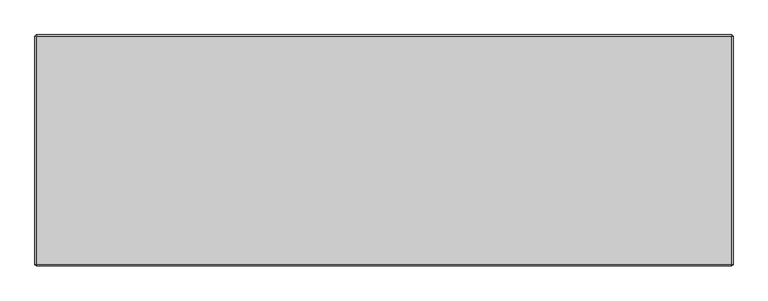
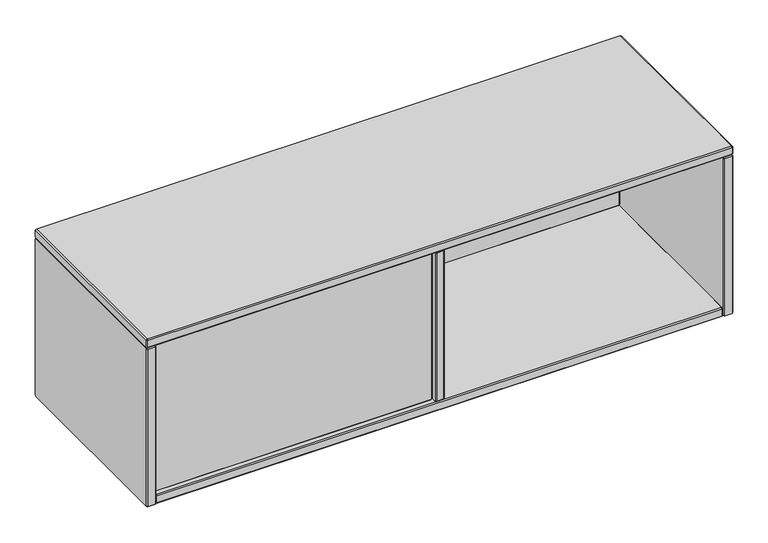
"""IFC4 building model written with IfcOpenShell, lengths in millimetres: furniture geometry."""

import ifcopenshell
import ifcopenshell.guid

model = None  # the IFC model being written
_history = None  # IfcOwnerHistory: only IFC2X3 demands one
_inside = {}  # id of a spatial element -> (the spatial element, [elements in it])
_under = {}  # id of a project, library or spatial element -> (it, [spatial elements below it])
_declared = {}  # id of a project -> (the project, [libraries it declares])
_typed = {}  # id of a type object -> (the type object, [elements of that type])
_made_of = {}  # id of a material, layer set ... -> (it, [elements and type objects made of it])


def new_model(schema):
    """Start an empty IFC model of exactly this schema.

    Asked for "IFC4X3", IfcOpenShell would pick the latest addendum, in which some entities
    have other attributes; the version numbers below select the first issue.
    IFC2X3 requires an IfcOwnerHistory on every rooted entity: one is made here for all.
    """
    global model, _history
    if schema == "IFC4X3":
        model = ifcopenshell.file(schema_version=(4, 3, 0, 0))
    else:
        model = ifcopenshell.file(schema=schema)
    _inside.clear()
    _under.clear()
    _declared.clear()
    _typed.clear()
    _made_of.clear()
    _history = None
    if model.schema == "IFC2X3":
        org = make("IfcOrganization", Name="unknown")
        user = make(
            "IfcPersonAndOrganization",
            ThePerson=make("IfcPerson", FamilyName="unknown"),
            TheOrganization=org,
        )
        app = make(
            "IfcApplication",
            ApplicationDeveloper=org,
            Version="unknown",
            ApplicationFullName="unknown",
            ApplicationIdentifier="unknown",
        )
        _history = make(
            "IfcOwnerHistory",
            OwningUser=user,
            OwningApplication=app,
            ChangeAction="ADDED",
            CreationDate=0,
        )
    return model


def make(cls, **values):
    """One entity of the class cls with the attributes given. An attribute that is None is left unset."""
    return model.create_entity(
        cls, **{name: value for name, value in values.items() if value is not None}
    )


def rooted(cls, **values):
    """An entity with a GlobalId (a new one), such as an element, a storey or a relation."""
    return make(cls, GlobalId=ifcopenshell.guid.new(), OwnerHistory=_history, **values)


def si_unit(unit_type, name, prefix=None):
    """IfcSIUnit, for example si_unit("LENGTHUNIT", "METRE", prefix="MILLI")."""
    return make("IfcSIUnit", UnitType=unit_type, Prefix=prefix, Name=name)


def assignment(units):
    """IfcUnitAssignment: the units of a project."""
    return None if units is None else make("IfcUnitAssignment", Units=units)


def point(xyz):
    """IfcCartesianPoint."""
    return None if xyz is None else make("IfcCartesianPoint", Coordinates=xyz)


def direction(xyz):
    """IfcDirection."""
    return None if xyz is None else make("IfcDirection", DirectionRatios=xyz)


def frame(location, z_axis=None, x_axis=None):
    """IfcAxis2Placement3D, a coordinate frame: its origin and axes. An axis left out is left unset."""
    return make(
        "IfcAxis2Placement3D",
        Location=point(location),
        Axis=direction(z_axis),
        RefDirection=direction(x_axis),
    )


def origin():
    """The frame at (0, 0, 0) with its axes left unset."""
    return frame((0.0, 0.0, 0.0))


def place(relative_to, where):
    """IfcLocalPlacement: puts the frame where relative to a parent placement (None: the world)."""
    return make(
        "IfcLocalPlacement", PlacementRelTo=relative_to, RelativePlacement=where
    )


def context(
    kind, dimensions, precision=None, world=None, true_north=None, identifier=None
):
    """IfcGeometricRepresentationContext, for example the 3D "Model" context."""
    return make(
        "IfcGeometricRepresentationContext",
        ContextIdentifier=identifier,
        ContextType=kind,
        CoordinateSpaceDimension=dimensions,
        Precision=precision,
        WorldCoordinateSystem=world,
        TrueNorth=true_north,
    )


def project(units=None, contexts=None):
    """IfcProject with its units and contexts."""
    return rooted(
        "IfcProject",
        Name="project",
        RepresentationContexts=contexts,
        UnitsInContext=assignment(units),
    )


def spatial(cls, under=None, at=None, **own):
    """A site, building, storey or space (cls), placed at a placement, below another one or the project."""
    s = rooted(cls, ObjectPlacement=at, **own)
    if under is not None:
        _under.setdefault(under.id(), (under, []))[1].append(s)
    return s


def faces_of(points, faces, orient=None, outer=None):
    """IfcFace entities. A face is a list of loops; a loop is a list of indices into points, from 0.

    orient and outer hold one flag for each loop. By default every Orientation is true, the
    first loop of a face is its IfcFaceOuterBound and the others are IfcFaceBound.
    """
    made = []
    for i, loops in enumerate(faces):
        bounds = []
        for j, loop in enumerate(loops):
            is_outer = j == 0 if outer is None else outer[i][j]
            bounds.append(
                make(
                    "IfcFaceOuterBound" if is_outer else "IfcFaceBound",
                    Bound=make("IfcPolyLoop", Polygon=[points[k] for k in loop]),
                    Orientation=True if orient is None else orient[i][j],
                )
            )
        made.append(make("IfcFace", Bounds=bounds))
    return made


def faceted_brep(points, faces, orient=None, outer=None, voids=None):
    """IfcFacetedBrep: a solid bounded by flat faces; with voids (closed shells), ...WithVoids."""
    shared = [point(p) for p in points]
    hull = make("IfcClosedShell", CfsFaces=faces_of(shared, faces, orient, outer))
    if voids is None:
        return make("IfcFacetedBrep", Outer=hull)
    return make(
        "IfcFacetedBrepWithVoids",
        Outer=hull,
        Voids=[
            make(cls, CfsFaces=faces_of(shared, fs, o, b)) for cls, fs, o, b in voids
        ],
    )


def shape(context_of_items, identifier, shape_type, items):
    """IfcShapeRepresentation: the items that make up one representation, for example the "Body"."""
    return make(
        "IfcShapeRepresentation",
        ContextOfItems=context_of_items,
        RepresentationIdentifier=identifier,
        RepresentationType=shape_type,
        Items=items,
    )


def source(mapping_origin, context_of_items, identifier, shape_type, items):
    """IfcRepresentationMap: a shape defined once, which mapped items show again and again."""
    return make(
        "IfcRepresentationMap",
        MappingOrigin=mapping_origin,
        MappedRepresentation=shape(context_of_items, identifier, shape_type, items),
    )


def transform(
    local_origin,
    x_axis=None,
    y_axis=None,
    z_axis=None,
    scale=None,
    scale2=None,
    scale3=None,
    uniform=True,
):
    """IfcCartesianTransformationOperator3D, or its non-uniform kind. x_axis, y_axis, z_axis: its Axis1, 2, 3."""
    if uniform:
        return make(
            "IfcCartesianTransformationOperator3D",
            Axis1=direction(x_axis),
            Axis2=direction(y_axis),
            LocalOrigin=point(local_origin),
            Scale=scale,
            Axis3=direction(z_axis),
        )
    return make(
        "IfcCartesianTransformationOperator3DnonUniform",
        Axis1=direction(x_axis),
        Axis2=direction(y_axis),
        LocalOrigin=point(local_origin),
        Scale=scale,
        Axis3=direction(z_axis),
        Scale2=scale2,
        Scale3=scale3,
    )


def mapped(mapping_source, mapping_target):
    """IfcMappedItem: shows the shape of a source again, moved by a transform."""
    return make(
        "IfcMappedItem", MappingSource=mapping_source, MappingTarget=mapping_target
    )


def made_of(thing, what):
    """Note that an element or type object is made of a material, layer set ...; save() writes the relation."""
    if what is not None:
        _made_of.setdefault(what.id(), (what, []))[1].append(thing)
    return thing


def element(
    cls,
    number,
    at=None,
    inside=None,
    cuts=None,
    type_object=None,
    material=None,
    context=None,
    identifier="Body",
    shape_type=None,
    held_by="IfcProductDefinitionShape",
    body=None,
    shapes=None,
    **own,
):
    """One element of the class cls, such as IfcWall. Its Tag is "e" and its number.

    at: its placement. inside: the storey or other place that contains it. cuts: it is an
    opening in that element (IfcRelVoidsElement). A single representation is given by context,
    identifier, shape_type and body (its items); several are given by shapes. held_by: the class
    of the entity that holds the representations. save() writes the other relations.
    """
    e = rooted(cls, Tag="e%d" % number, ObjectPlacement=at, **own)
    if body is not None:
        shapes = [shape(context, identifier, shape_type, body)]
    if shapes is not None:
        e.Representation = make(held_by, Representations=shapes)
    if inside is not None:
        _inside.setdefault(inside.id(), (inside, []))[1].append(e)
    if cuts is not None:
        rooted(
            "IfcRelVoidsElement", RelatingBuildingElement=cuts, RelatedOpeningElement=e
        )
    if type_object is not None:
        _typed.setdefault(type_object.id(), (type_object, []))[1].append(e)
    return made_of(e, material)


def aggregate(whole, parts):
    """IfcRelAggregates: a whole, such as a stair, and the parts it consists of."""
    return rooted("IfcRelAggregates", RelatingObject=whole, RelatedObjects=parts)


def save(model, path):
    """Write the relations noted so far, then the file.

    IfcRelAggregates (storeys below a building ...), IfcRelContainedInSpatialStructure (elements
    in a storey), IfcRelDefinesByType, IfcRelAssociatesMaterial and IfcRelDeclares: one each for
    every whole, place, type object, material and project.
    """
    for whole, parts in _under.values():
        aggregate(whole, parts)
    for where, things in _inside.values():
        rooted(
            "IfcRelContainedInSpatialStructure",
            RelatedElements=things,
            RelatingStructure=where,
        )
    for kind, things in _typed.values():
        rooted("IfcRelDefinesByType", RelatedObjects=things, RelatingType=kind)
    for what, things in _made_of.values():
        rooted("IfcRelAssociatesMaterial", RelatedObjects=things, RelatingMaterial=what)
    for by, libraries in _declared.values():
        rooted("IfcRelDeclares", RelatingContext=by, RelatedDefinitions=libraries)
    model.write(path)


def furniture_36d668b5(model_context):
    return source(origin(), model_context, "Body", "Brep", [
        faceted_brep([(22.564297, -209.0126135, 808.7316604), (21.7169989, -209.0126135, 809.5789584), (21.7169986, -209.0126135, 1134.335119), (22.5630082, -209.0126135, 1135.1811292), (598.8467091, -209.0126135, 1135.1811295), (599.6939981, -209.0126135, 1134.333841), (599.6939984, -209.0126135, 809.5802381), (598.8454211, -209.0126135, 808.7316604), (21.7169989, -228.3166132, 809.5789584), (22.564297, -228.3166132, 808.7316604), (598.8454203, -228.3166132, 808.73166), (599.6939981, -228.3166132, 809.5802373), (599.6939984, -228.3166132, 1134.3338402), (598.8467099, -228.3166132, 1135.1811292), (22.5630091, -228.3166132, 1135.1811295), (21.7169989, -228.3166132, 1134.3351198), (19.684994, -211.044618, 808.7372749), (21.7226135, -211.044618, 806.6996555), (21.7226135, -226.2846087, 806.6996555), (19.684994, -226.2846087, 808.7372749), (599.6871047, -211.044618, 806.6996555), (599.6871047, -226.2846087, 806.6996555), (601.726003, -211.044618, 808.7385538), (601.726003, -226.2846087, 808.7385538), (601.726003, -211.044618, 1135.1755245), (601.726003, -226.2846087, 1135.1755245), (599.6883934, -211.044618, 1137.2131341), (599.6883934, -226.2846087, 1137.2131341), (21.7213247, -211.044618, 1137.2131341), (21.7213247, -226.2846087, 1137.2131341), (19.684994, -211.044618, 1135.1768034), (19.684994, -226.2846087, 1135.1768034)], [[[0, 1, 2, 3, 4, 5, 6, 7]], [[8, 9, 10, 11, 12, 13, 14, 15]], [[16, 1, 0, 17]], [[16, 17, 18, 19]], [[19, 18, 9, 8]], [[17, 0, 7, 20]], [[18, 17, 20, 21]], [[9, 18, 21, 10]], [[20, 7, 6, 22]], [[21, 20, 22, 23]], [[10, 21, 23, 11]], [[22, 6, 5, 24]], [[23, 22, 24, 25]], [[11, 23, 25, 12]], [[24, 5, 4, 26]], [[25, 24, 26, 27]], [[12, 25, 27, 13]], [[26, 4, 3, 28]], [[27, 26, 28, 29]], [[13, 27, 29, 14]], [[28, 3, 2, 30]], [[29, 28, 30, 31]], [[14, 29, 31, 15]], [[1, 16, 30, 2]], [[16, 19, 31, 30]], [[19, 8, 15, 31]]]),
        faceted_brep([(621.029997, 148.8452595, 808.7372749), (623.0620027, 150.8772652, 809.5789592), (623.9093008, 150.8772652, 808.7316612), (623.0676165, 148.8452595, 806.6996555), (623.0676165, 133.6052689, 806.6996555), (621.029997, 133.6052689, 808.7372749), (623.9093008, 131.5732632, 808.7316612), (623.0620011, 131.5732654, 809.5789576), (1196.6344233, 150.8772652, 808.7316612), (1197.4761077, 148.8452595, 806.6996555), (1197.4761077, 133.6052689, 806.6996555), (1196.6344233, 131.5732632, 808.7316612), (1197.4830003, 150.8772652, 809.5802381), (1199.515006, 148.8452595, 808.7385538), (1199.515006, 133.6052689, 808.7385538), (1197.4830003, 131.5732632, 809.5802381), (1197.4830003, 150.8772652, 1134.3338402), (1199.515006, 148.8452595, 1135.1755245), (1199.515006, 133.6052689, 1135.1755245), (1197.4830003, 131.5732632, 1134.3338402), (1196.6357121, 150.8772652, 1135.1811284), (1197.4773964, 148.8452595, 1137.2131341), (1197.4773964, 133.6052689, 1137.2131341), (1196.6357121, 131.5732632, 1135.1811284), (623.908012, 150.8772652, 1135.1811284), (623.0663277, 148.8452595, 1137.2131341), (623.0663277, 133.6052689, 1137.2131341), (623.908012, 131.5732632, 1135.1811284), (623.0620027, 150.8772652, 1134.335119), (621.029997, 148.8452595, 1135.1768034), (621.029997, 133.6052689, 1135.1768034), (623.0620027, 131.5732632, 1134.335119)], [[[0, 1, 2, 3]], [[0, 3, 4, 5]], [[5, 4, 6, 7]], [[3, 2, 8, 9]], [[4, 3, 9, 10]], [[6, 4, 10, 11]], [[9, 8, 12, 13]], [[10, 9, 13, 14]], [[11, 10, 14, 15]], [[13, 12, 16, 17]], [[14, 13, 17, 18]], [[15, 14, 18, 19]], [[17, 16, 20, 21]], [[18, 17, 21, 22]], [[19, 18, 22, 23]], [[21, 20, 24, 25]], [[22, 21, 25, 26]], [[23, 22, 26, 27]], [[25, 24, 28, 29]], [[26, 25, 29, 30]], [[27, 26, 30, 31]], [[1, 0, 29, 28]], [[0, 5, 30, 29]], [[5, 7, 31, 30]], [[2, 1, 28, 24, 20, 16, 12, 8]], [[7, 6, 11, 15, 19, 23, 27, 31]]]),
        faceted_brep([(0.381, 160.1899826, 1135.1811289), (0.381, 161.0359948, 1134.3351167), (0.381, 161.0359948, 792.3075981), (0.381, 158.1641576, 789.4295146), (0.381, -237.6617899, 789.4263915), (0.381, -238.507861, 790.2724626), (0.381, -238.5047378, 1134.3351258), (0.381, -237.6587347, 1135.1811289), (19.6849994, 161.035991, 1134.3351129), (19.6849994, 160.1899788, 1135.1811251), (19.6849994, -237.6587347, 1135.1811235), (19.6849994, -238.504734, 1134.335122), (19.6849994, -238.5047325, 790.2755857), (19.6849994, -237.6649092, 789.4295184), (19.6849994, 158.1610344, 789.4263968), (19.6849994, 161.0391141, 792.3044788), (2.4130052, 163.068, 1135.1768008), (2.4130052, 161.0316667, 1137.2131341), (17.6529888, 161.0316667, 1137.2131341), (17.6529888, 163.068, 1135.1768008), (2.4130052, -238.5004189, 1137.2131341), (17.6529888, -238.5004189, 1137.2131341), (2.4130052, -240.5367431, 1135.1768099), (17.6529888, -240.5367431, 1135.1768099), (2.4130052, -240.5367431, 789.4276553), (17.6529888, -240.5367431, 789.4276553), (2.4130052, -238.503474, 787.3943862), (17.6529888, -238.503474, 787.3943862), (2.4130052, 159.0027185, 787.3943862), (17.6529888, 159.0027185, 787.3943862), (2.4130052, 163.068, 791.4596677), (17.6529888, 163.068, 791.4596677)], [[[0, 1, 2, 3, 4, 5, 6, 7]], [[8, 9, 10, 11, 12, 13, 14, 15]], [[16, 1, 0, 17]], [[16, 17, 18, 19]], [[19, 18, 9, 8]], [[17, 0, 7, 20]], [[18, 17, 20, 21]], [[9, 18, 21, 10]], [[20, 7, 6, 22]], [[21, 20, 22, 23]], [[10, 21, 23, 11]], [[22, 6, 5, 24]], [[23, 22, 24, 25]], [[11, 23, 25, 12]], [[24, 5, 4, 26]], [[25, 24, 26, 27]], [[12, 25, 27, 13]], [[26, 4, 3, 28]], [[27, 26, 28, 29]], [[13, 27, 29, 14]], [[28, 3, 2, 30]], [[29, 28, 30, 31]], [[14, 29, 31, 15]], [[1, 16, 30, 2]], [[16, 19, 31, 30]], [[19, 8, 15, 31]]]),
        faceted_brep([(621.0300073, 159.0039823, 1134.3351094), (621.0300073, 158.1579701, 1135.1811216), (621.0300073, -235.5967084, 1135.1811186), (621.0300073, -236.4427043, 1134.3344873), (621.0300073, -236.4420701, 809.5746086), (621.0300073, -235.5994407, 808.7319835), (621.0300073, 156.1290292, 808.7316709), (621.0300073, 159.0039823, 811.6066283), (601.7253716, 158.157531, 1135.1806824), (601.7253716, 159.0035431, 1134.3346703), (601.7253716, 159.0033582, 811.606621), (601.7253716, 156.1285828, 808.7321071), (601.7253716, -235.5991324, 808.732292), (601.7253716, -236.4413183, 809.5747395), (601.7253716, -236.441449, 1134.3351258), (601.7253716, -235.5959464, 1135.1803668), (603.7580082, 161.0359948, 1135.1768008), (603.7580082, 158.9996615, 1137.2131341), (618.9979918, 158.9996615, 1137.2131341), (618.9979918, 161.0359948, 1135.1768008), (603.7580082, -236.4377614, 1137.2131341), (618.9979918, -236.4377614, 1137.2131341), (603.7580082, -238.4740856, 1135.1768099), (618.9979918, -238.4740856, 1135.1768099), (603.7580082, -238.4740856, 808.7329245), (618.9979918, -238.4740856, 808.7329245), (603.7580082, -236.4408165, 806.6996555), (618.9979918, -236.4408165, 806.6996555), (603.7580082, 156.9707133, 806.6996555), (618.9979918, 156.9707133, 806.6996555), (603.7580082, 161.0359948, 810.7649369), (618.9979918, 161.0359948, 810.7649369)], [[[0, 1, 2, 3, 4, 5, 6, 7]], [[8, 9, 10, 11, 12, 13, 14, 15]], [[16, 9, 8, 17]], [[16, 17, 18, 19]], [[19, 18, 1, 0]], [[17, 8, 15, 20]], [[18, 17, 20, 21]], [[1, 18, 21, 2]], [[20, 15, 14, 22]], [[21, 20, 22, 23]], [[2, 21, 23, 3]], [[22, 14, 13, 24]], [[23, 22, 24, 25]], [[3, 23, 25, 4]], [[24, 13, 12, 26]], [[25, 24, 26, 27]], [[4, 25, 27, 5]], [[26, 12, 11, 28]], [[27, 26, 28, 29]], [[5, 27, 29, 6]], [[28, 11, 10, 30]], [[29, 28, 30, 31]], [[6, 29, 31, 7]], [[9, 16, 30, 10]], [[16, 19, 31, 30]], [[19, 0, 7, 31]]]),
        faceted_brep([(1216.7869948, 163.0679927, 1135.1767978), (1201.5470112, 163.0679927, 1135.1767978), (1201.5470112, 161.0316637, 1137.2131268), (1216.7869948, 161.0316637, 1137.2131268), (1201.5470112, -238.5004158, 1137.2131268), (1216.7869948, -238.5004158, 1137.2131268), (1201.5470112, -240.5367358, 1135.1768069), (1216.7869948, -240.5367358, 1135.1768069), (1201.5470112, -240.5367358, 789.4220446), (1216.7869948, -240.5367358, 789.4220446), (1201.5470112, -238.503471, 787.3887798), (1216.7869948, -238.503471, 787.3887798), (1201.5470112, 159.0027155, 787.3887798), (1216.7869948, 159.0027155, 787.3887798), (1201.5470112, 163.0679927, 791.454057), (1216.7869948, 163.0679927, 791.454057), (1218.819, 160.1899796, 1135.1811216), (1218.819, 161.0359875, 1134.3351137), (1199.515006, 161.0359875, 1134.3351137), (1199.5150097, 160.1899822, 1135.1811242), (1218.819, -237.6587317, 1135.1811216), (1199.5150097, -237.6587317, 1135.1811253), (1218.819, -238.5047305, 1134.3351227), (1199.5150097, -238.5047332, 1134.3351254), (1218.819, -238.5047305, 790.2637287), (1199.5150097, -238.5047343, 790.2637287), (1218.819, -237.6617868, 789.420785), (1199.5150097, -237.6617895, 789.4207824), (1218.819, 158.1610314, 789.420785), (1199.5150097, 158.1610314, 789.4207813), (1218.819, 161.0359875, 792.2957411), (1199.5150097, 161.0359901, 792.2957385)], [[[0, 1, 2, 3]], [[3, 2, 4, 5]], [[5, 4, 6, 7]], [[7, 6, 8, 9]], [[9, 8, 10, 11]], [[11, 10, 12, 13]], [[13, 12, 14, 15]], [[1, 0, 15, 14]], [[0, 3, 16, 17]], [[2, 1, 18, 19]], [[3, 5, 20, 16]], [[4, 2, 19, 21]], [[5, 7, 22, 20]], [[6, 4, 21, 23]], [[7, 9, 24, 22]], [[8, 6, 23, 25]], [[9, 11, 26, 24]], [[10, 8, 25, 27]], [[11, 13, 28, 26]], [[12, 10, 27, 29]], [[13, 15, 30, 28]], [[14, 12, 29, 31]], [[15, 0, 17, 30]], [[1, 14, 31, 18]], [[19, 18, 31, 29, 27, 25, 23, 21]], [[17, 16, 20, 22, 24, 26, 28, 30]]]),
        faceted_brep([(2.4142691, 160.1937872, 1137.2131341), (0.381, 161.0359948, 1139.2464031), (2.4130052, 163.068, 1139.2464031), (3.2552128, 161.0347309, 1137.2131341), (0.381, 161.0359948, 1154.4795205), (2.4142691, 160.1937872, 1156.5127895), (3.2552128, 161.0347309, 1156.5127895), (2.4130052, 163.068, 1154.4795205), (1216.7869875, 163.068, 1139.2464031), (1215.9447799, 161.0347309, 1137.2131341), (1215.9447799, 161.0347309, 1156.5127895), (1216.7869875, 163.068, 1154.4795205), (1218.819, 161.0359875, 1139.2464031), (1216.7857309, 160.1937799, 1137.2131341), (1216.7857309, 160.1937799, 1156.5127895), (1218.819, 161.0359875, 1154.4795205), (1218.819, -238.5047363, 1139.2464031), (1216.7857309, -237.6625286, 1137.2131341), (1216.7857309, -237.6625286, 1156.5127895), (1218.819, -238.5047363, 1154.4795205), (1216.7869932, -240.5367431, 1139.2464031), (1215.9447856, -238.503474, 1137.2131341), (1215.9447856, -238.503474, 1156.5127895), (1216.7869932, -240.5367431, 1154.4795205), (2.413, -240.5367431, 1139.2464031), (3.2552076, -238.503474, 1137.2131341), (3.2552076, -238.503474, 1156.5127895), (2.413, -240.5367431, 1154.4795205), (0.381, -238.5047431, 1139.2464031), (2.4142691, -237.6625355, 1137.2131341), (2.4142691, -237.6625355, 1156.5127895), (0.381, -238.5047431, 1154.4795205)], [[[0, 1, 2, 3]], [[4, 5, 6, 7]], [[2, 1, 4, 7]], [[3, 2, 8, 9]], [[7, 6, 10, 11]], [[2, 7, 11, 8]], [[9, 8, 12, 13]], [[11, 10, 14, 15]], [[8, 11, 15, 12]], [[13, 12, 16, 17]], [[15, 14, 18, 19]], [[12, 15, 19, 16]], [[17, 16, 20, 21]], [[19, 18, 22, 23]], [[16, 19, 23, 20]], [[21, 20, 24, 25]], [[23, 22, 26, 27]], [[20, 23, 27, 24]], [[25, 24, 28, 29]], [[27, 26, 30, 31]], [[24, 27, 31, 28]], [[1, 0, 29, 28]], [[5, 4, 31, 30]], [[4, 1, 28, 31]], [[6, 5, 30, 26, 22, 18, 14, 10]], [[0, 3, 9, 13, 17, 21, 25, 29]]]),
        faceted_brep([(21.7182631, 160.1937872, 787.4), (19.684994, 161.0359948, 789.4332691), (21.7169992, 163.068, 789.4332691), (22.5592069, 161.0347309, 787.4), (19.684994, 161.0359948, 804.6663864), (21.7182631, 160.1937872, 806.6996555), (22.5631764, 161.0307614, 806.7052692), (21.7169992, 163.068, 804.6663864), (1197.4829972, 163.068, 789.4332691), (1196.6407896, 161.0347309, 787.4), (1196.6407896, 161.0291172, 806.7052692), (1197.4829972, 163.068, 804.6663864), (1199.5150097, 161.0359875, 789.4332691), (1197.4817406, 160.1937799, 787.4), (1197.4777711, 160.1898103, 806.7052692), (1199.5150097, 161.0359875, 804.6663864), (1199.5150097, -236.4420788, 789.4332691), (1197.4817406, -235.5998711, 787.4), (1197.4761269, -235.5998711, 806.7052692), (1199.5150097, -236.4420788, 804.6663864), (1197.4830029, -238.4740856, 789.4332691), (1196.6407953, -236.4408165, 787.4), (1196.6368258, -236.436847, 806.7052692), (1197.4830029, -238.4740856, 804.6663864), (21.716994, -238.4740856, 789.4332691), (22.5592016, -236.4408165, 787.4), (22.5592016, -236.4352027, 806.7052692), (21.716994, -238.4740856, 804.6663864), (19.684994, -236.4420856, 789.4332691), (21.7182631, -235.599878, 787.4), (21.7222326, -235.5959084, 806.7052692), (19.684994, -236.4420856, 804.6663864)], [[[0, 1, 2, 3]], [[4, 5, 6, 7]], [[2, 1, 4, 7]], [[3, 2, 8, 9]], [[7, 6, 10, 11]], [[2, 7, 11, 8]], [[9, 8, 12, 13]], [[11, 10, 14, 15]], [[8, 11, 15, 12]], [[13, 12, 16, 17]], [[15, 14, 18, 19]], [[12, 15, 19, 16]], [[17, 16, 20, 21]], [[19, 18, 22, 23]], [[16, 19, 23, 20]], [[21, 20, 24, 25]], [[23, 22, 26, 27]], [[20, 23, 27, 24]], [[25, 24, 28, 29]], [[27, 26, 30, 31]], [[24, 27, 31, 28]], [[1, 0, 29, 28]], [[5, 4, 31, 30]], [[4, 1, 28, 31]], [[6, 5, 30, 26, 22, 18, 14, 10]], [[0, 3, 9, 13, 17, 21, 25, 29]]]),
    ])


if __name__ == "__main__":
    model = new_model("IFC4")
    model_context = context("Model", 3, world=origin())
    ifc_project = project(units=[si_unit("LENGTHUNIT", "METRE", prefix="MILLI")], contexts=[model_context])
    site = spatial("IfcSite", under=ifc_project)
    building = spatial("IfcBuilding", under=site)
    placement = place(None, origin())
    furniture_shape = furniture_36d668b5(model_context)
    element("IfcFurniture", 1, at=placement, inside=building, context=model_context, shape_type="MappedRepresentation", body=[
        mapped(furniture_shape, transform((0.0, 0.0, 0.0), x_axis=(1.0, 0.0, 0.0), y_axis=(0.0, 1.0, 0.0), z_axis=(0.0, 0.0, 1.0))),
    ])
    save(model, "model.ifc")
